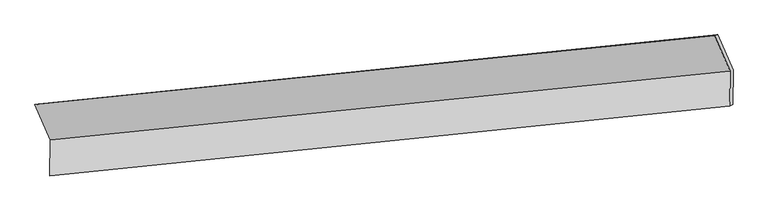
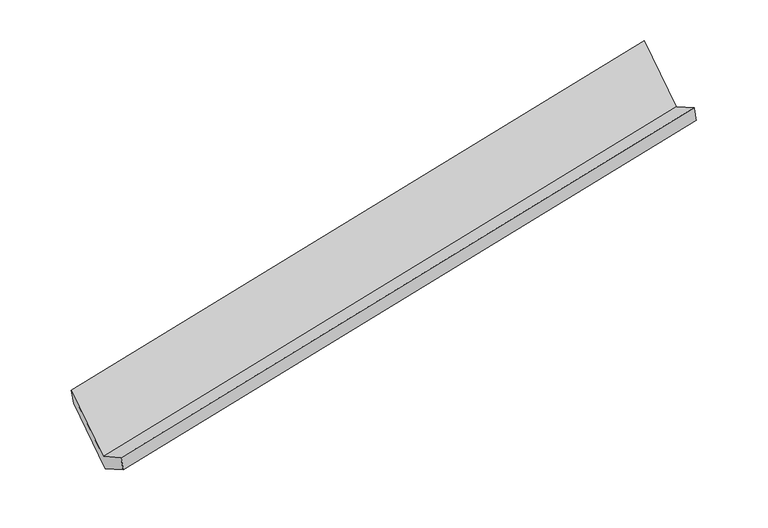
"""IFC4 building model written with IfcOpenShell, lengths in millimetres: proxy geometry."""

from ifc_helpers import new_model, si_unit, frame, origin, place, context, project, spatial, source, transform, mapped, element, save
from ifc_brep_helpers import plane_surface, spline_surface, advanced_brep


def generic_models_7f65c50a(model_context):
    return source(origin(), model_context, "Body", "AdvancedBrep", [
        advanced_brep(
        [(-6123.3854478, -1503.576692, 1706.2405076), (-5980.607071, -1831.9569063, 1133.2102861), (327.7978713, -1189.2441077, 2366.2035097), (185.0194945, -860.8638934, 2939.2337311), (-5984.0966289, -2163.5426862, 1322.3590814), (324.3540173, -1516.4869994, 2552.8749609), (-5956.1179512, -2146.7509081, 1168.2230321), (352.2869911, -1504.0381095, 2401.2162557), (-5952.7044785, -1822.3949213, 983.1983783), (355.7004638, -1179.6821227, 2216.1916019), (-6094.4416825, -1496.4093311, 1552.0499316), (213.9632598, -853.6965325, 2785.0431552)],
        [
            (0, 1),
            (1, 2),
            (2, 3),
            (3, 0),
            (1, 4),
            (4, 5),
            (5, 2),
            (4, 6),
            (6, 7),
            (7, 5),
            (6, 8),
            (8, 9),
            (9, 7),
            (8, 10),
            (10, 11),
            (11, 9),
            (10, 0),
            (3, 11),
        ],
        [
            plane_surface(frame((-6051.9962594, -1667.7667992, 1419.7253969), z_axis=(-0.008384264121199761, -0.868502336605205, 0.49561415983247026), x_axis=(0.21130152713816386, -0.48597863581477685, -0.8480427053873457))),
            plane_surface(frame((-5982.35185, -1997.7497962, 1227.7846838), z_axis=(-0.21508247229385583, 0.4855998253083115, 0.8473088809711015), x_axis=(-0.009140777807014092, -0.8685776315553664, 0.49546881248243374))),
            spline_surface(1, 1, [[(-5984.0966289, -2163.5426862, 1322.3590814), (324.3540173, -1516.4869994, 2552.8749609)], [(-5956.1179512, -2146.7509081, 1168.2230321), (352.2869911, -1504.0381095, 2401.2162557)]], [2, 2], [2, 2], [0.0, 1.0], [0.0, 1.0]),
            plane_surface(frame((-5954.4112148, -1984.5729147, 1075.7107052), z_axis=(0.2150824722938552, -0.48559982530830337, -0.8473088809711063), x_axis=(0.009140777806968101, 0.8685776315553665, -0.49546881248243435))),
            plane_surface(frame((-6023.5730805, -1659.4021262, 1267.624155), z_axis=(0.008384264121202106, 0.8685023366052042, -0.49561415983247187), x_axis=(-0.21130152713816222, 0.485978635814779, 0.8480427053873448))),
            plane_surface(frame((-6108.9135651, -1499.9930116, 1629.1452196), z_axis=(-0.10639551703800854, 0.9939778074526264, 0.026231893677056483), x_axis=(-0.1842996985002536, -0.04563823811447235, 0.9818099471662132))),
            plane_surface(frame((293.1870163, -1184.0019609, 2543.4605357), z_axis=(0.9773781820821271, 0.09694154678607887, 0.1879740027146278), x_axis=(-0.21130152713816222, 0.485978635814779, 0.8480427053873448))),
            plane_surface(frame((-6015.2255433, -1827.4385742, 1310.8802029), z_axis=(-0.9773781820821273, -0.09694154678609898, -0.18797400271461612), x_axis=(0.1842996985002354, 0.045638238114529474, -0.981809947166214))),
        ],
        [
            (0, [[1, 2, 3, 4]]),
            (1, [[5, 6, 7, -2]]),
            (2, [[8, 9, 10, -6]]),
            (3, [[11, 12, 13, -9]]),
            (4, [[14, 15, 16, -12]]),
            (5, [[17, -4, 18, -15]]),
            (6, [[-16, -18, -3, -7, -10, -13]]),
            (7, [[-17, -14, -11, -8, -5, -1]]),
        ],
    ),
    ])


if __name__ == "__main__":
    model = new_model("IFC4")
    model_context = context("Model", 3, world=origin())
    ifc_project = project(units=[si_unit("LENGTHUNIT", "METRE", prefix="MILLI")], contexts=[model_context])
    site = spatial("IfcSite", under=ifc_project)
    building = spatial("IfcBuilding", under=site)
    placement = place(None, origin())
    generic_models_shape = generic_models_7f65c50a(model_context)
    element("IfcBuildingElementProxy", 1, Name="Generic Models", at=placement, inside=building, context=model_context, shape_type="MappedRepresentation", body=[
        mapped(generic_models_shape, transform((0.0, 0.0, 0.0), x_axis=(1.0, 0.0, 0.0), y_axis=(0.0, 1.0, 0.0), z_axis=(0.0, 0.0, 1.0))),
    ])
    save(model, "model.ifc")
